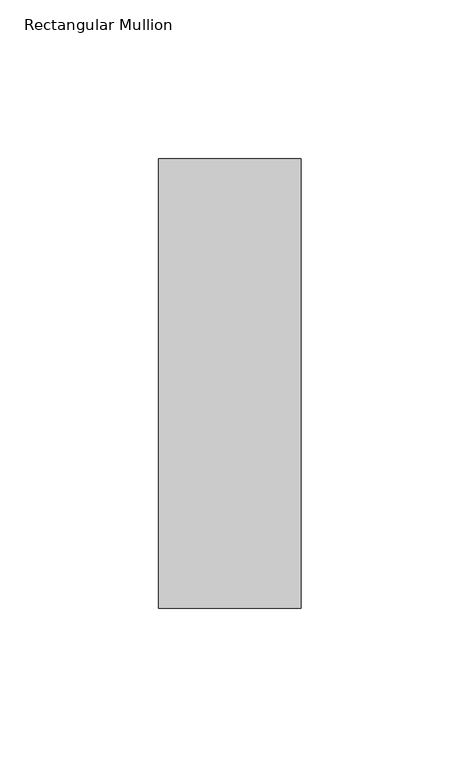
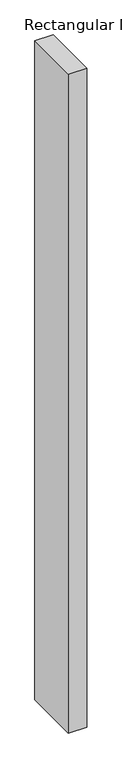
"""IFC4 building model written with IfcOpenShell, lengths in millimetres: member geometry, Rectangular Mullion."""

from ifc_helpers import new_model, si_unit, frame, origin, place, context, project, spatial, polyline, outline, extrude, source, transform, mapped, element, save


def rectangular_mullion_ffc25f1b(model_context):
    return source(origin(), model_context, "Body", "SweptSolid", [
        extrude(outline(polyline([(22.5, 98.875), (22.5, -42.875), (-22.5, -42.875), (-22.5, 98.875), (22.5, 98.875)])), frame((0.0, 0.0, -1708.8912252), z_axis=(0.0, 0.0, 1.0), x_axis=(1.0, 0.0, 0.0)), (0.0, 0.0, 1.0), 1708.8912252),
    ])


if __name__ == "__main__":
    model = new_model("IFC4")
    model_context = context("Model", 3, world=origin())
    ifc_project = project(units=[si_unit("LENGTHUNIT", "METRE", prefix="MILLI")], contexts=[model_context])
    site = spatial("IfcSite", under=ifc_project)
    building = spatial("IfcBuilding", under=site)
    placement = place(None, origin())
    rectangular_mullion_shape = rectangular_mullion_ffc25f1b(model_context)
    element("IfcMember", 1, ObjectType="Rectangular Mullion", at=placement, inside=building, context=model_context, shape_type="MappedRepresentation", body=[
        mapped(rectangular_mullion_shape, transform((0.0, 0.0, 0.0), x_axis=(1.0, 0.0, 0.0), y_axis=(0.0, 1.0, 0.0), z_axis=(0.0, 0.0, 1.0))),
    ])
    save(model, "model.ifc")
